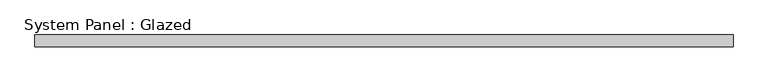
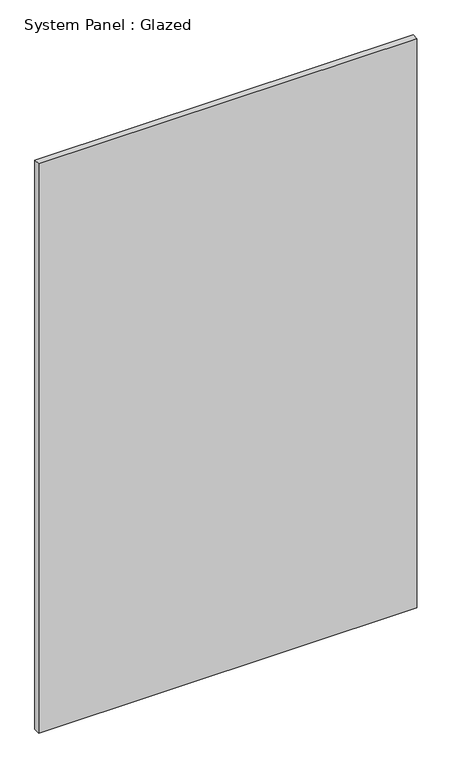
"""IFC4 building model written with IfcOpenShell, lengths in millimetres: plate geometry, System Panel : Glazed."""

from ifc_helpers import new_model, si_unit, origin, origin_with_axes, place, context, project, spatial, polyline, outline, extrude, source, transform, mapped, element, save


def system_panel_glazed_f3d727c8(model_context):
    return source(origin(), model_context, "Body", "SweptSolid", [
        extrude(outline(polyline([(730.8333333, 24.5), (-730.8333333, 24.5), (-730.8333333, 49.5), (730.8333333, 49.5), (730.8333333, 24.5)])), origin_with_axes(), (0.0, 0.0, 1.0), 2325.0),
    ])


if __name__ == "__main__":
    model = new_model("IFC4")
    model_context = context("Model", 3, world=origin())
    ifc_project = project(units=[si_unit("LENGTHUNIT", "METRE", prefix="MILLI")], contexts=[model_context])
    site = spatial("IfcSite", under=ifc_project)
    building = spatial("IfcBuilding", under=site)
    placement = place(None, origin())
    system_panel_glazed_shape = system_panel_glazed_f3d727c8(model_context)
    element("IfcPlate", 1, ObjectType="System Panel : Glazed", at=placement, inside=building, context=model_context, shape_type="MappedRepresentation", body=[
        mapped(system_panel_glazed_shape, transform((0.0, 0.0, 0.0), x_axis=(1.0, 0.0, 0.0), y_axis=(0.0, 1.0, 0.0), z_axis=(0.0, 0.0, 1.0))),
    ])
    save(model, "model.ifc")
